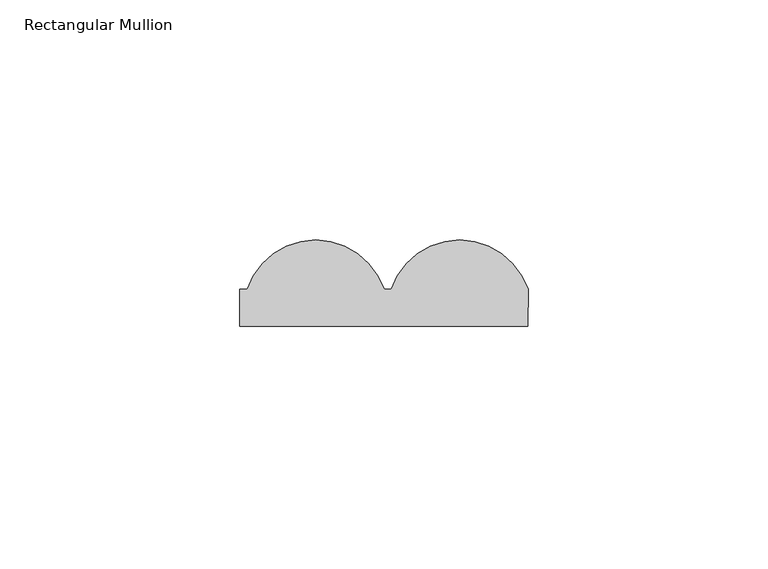
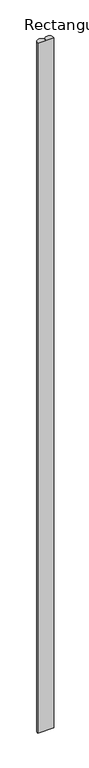
"""IFC4 building model written with IfcOpenShell, lengths in millimetres: member geometry, Rectangular Mullion."""

from ifc_helpers import new_model, si_unit, point, frame, frame_2d, origin, place, context, project, spatial, polyline, circle_curve, trimmed, segment, composite_curve, outline, extrude, source, transform, mapped, element, save


def rectangular_mullion_93f9a98b(model_context):
    return source(origin(), model_context, "Body", "SweptSolid", [
        extrude(outline(composite_curve([segment(polyline([(-30.0, 7.716254), (-28.4785497, 7.716254)]), True, "CONTINUOUS"), segment(trimmed(circle_curve(frame_2d((-14.2392748, 3.0)), 15.0), [point((-28.4785497, 7.716254))], [point((0.0, 7.716254))], False, "CARTESIAN"), True, "CONTINUOUS"), segment(polyline([(0.0, 7.716254), (1.5214503, 7.716254)]), True, "CONTINUOUS"), segment(trimmed(circle_curve(frame_2d((15.7607252, 3.0)), 15.0), [point((1.5214503, 7.716254))], [point((30.0, 7.716254))], False, "CARTESIAN"), True, "CONTINUOUS"), segment(polyline([(30.0, 7.716254), (30.0, 0.0), (-30.0, 0.0), (-30.0, 7.716254)]), True, "CONTINUOUS")], self_intersect=False)), frame((0.0, 0.0, -2700.0), z_axis=(0.0, 0.0, 1.0), x_axis=(1.0, 0.0, 0.0)), (0.0, 0.0, 1.0), 2700.0),
    ])


if __name__ == "__main__":
    model = new_model("IFC4")
    model_context = context("Model", 3, world=origin())
    ifc_project = project(units=[si_unit("LENGTHUNIT", "METRE", prefix="MILLI")], contexts=[model_context])
    site = spatial("IfcSite", under=ifc_project)
    building = spatial("IfcBuilding", under=site)
    placement = place(None, origin())
    rectangular_mullion_shape = rectangular_mullion_93f9a98b(model_context)
    element("IfcMember", 1, ObjectType="Rectangular Mullion", at=placement, inside=building, context=model_context, shape_type="MappedRepresentation", body=[
        mapped(rectangular_mullion_shape, transform((0.0, 0.0, 0.0), x_axis=(1.0, 0.0, 0.0), y_axis=(0.0, 1.0, 0.0), z_axis=(0.0, 0.0, 1.0))),
    ])
    save(model, "model.ifc")
